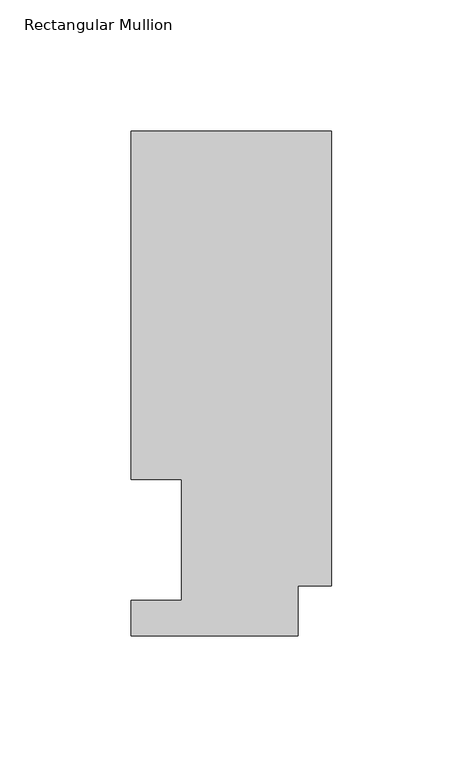
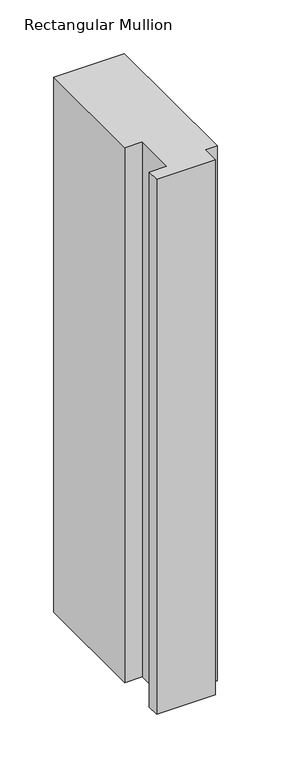
"""IFC4 building model written with IfcOpenShell, lengths in millimetres: member geometry, Rectangular Mullion."""

from ifc_helpers import new_model, si_unit, frame, origin, place, context, project, spatial, polyline, outline, extrude, source, transform, mapped, element, save


def rectangular_mullion_a459b5fa(model_context):
    return source(origin(), model_context, "Body", "SweptSolid", [
        extrude(outline(polyline([(0.0, 192.09385), (0.0, 19.06905), (-12.7, 19.06905), (-12.7, 0.04445), (-76.2, 0.04445), (-76.2, 13.50645), (-57.15, 13.50645), (-57.15, 59.53125), (-76.2, 59.53125), (-76.2, 192.09385), (0.0, 192.09385)])), frame((0.0, 0.0, -609.56825), z_axis=(0.0, 0.0, 1.0), x_axis=(1.0, 0.0, 0.0)), (0.0, 0.0, 1.0), 609.56825),
    ])


if __name__ == "__main__":
    model = new_model("IFC4")
    model_context = context("Model", 3, world=origin())
    ifc_project = project(units=[si_unit("LENGTHUNIT", "METRE", prefix="MILLI")], contexts=[model_context])
    site = spatial("IfcSite", under=ifc_project)
    building = spatial("IfcBuilding", under=site)
    placement = place(None, origin())
    rectangular_mullion_shape = rectangular_mullion_a459b5fa(model_context)
    element("IfcMember", 1, ObjectType="Rectangular Mullion", at=placement, inside=building, context=model_context, shape_type="MappedRepresentation", body=[
        mapped(rectangular_mullion_shape, transform((0.0, 0.0, 0.0), x_axis=(1.0, 0.0, 0.0), y_axis=(0.0, 1.0, 0.0), z_axis=(0.0, 0.0, 1.0))),
    ])
    save(model, "model.ifc")
